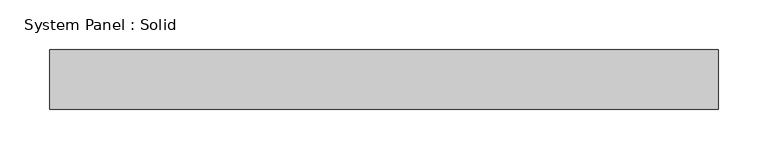
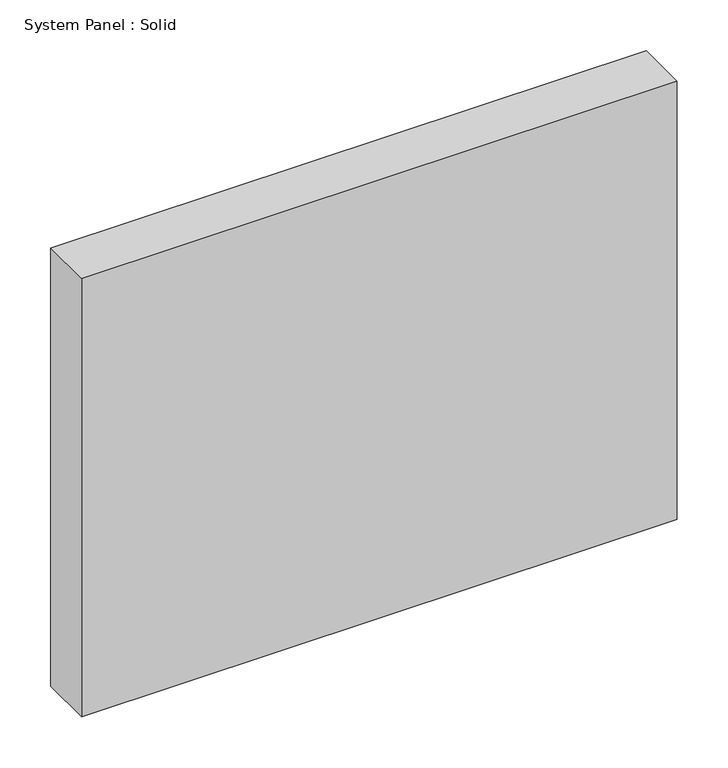
"""IFC4 building model written with IfcOpenShell, lengths in millimetres: plate geometry, System Panel : Solid."""

import ifcopenshell
import ifcopenshell.guid

model = None  # the IFC model being written
_history = None  # IfcOwnerHistory: only IFC2X3 demands one
_inside = {}  # id of a spatial element -> (the spatial element, [elements in it])
_under = {}  # id of a project, library or spatial element -> (it, [spatial elements below it])
_declared = {}  # id of a project -> (the project, [libraries it declares])
_typed = {}  # id of a type object -> (the type object, [elements of that type])
_made_of = {}  # id of a material, layer set ... -> (it, [elements and type objects made of it])


def new_model(schema):
    """Start an empty IFC model of exactly this schema.

    Asked for "IFC4X3", IfcOpenShell would pick the latest addendum, in which some entities
    have other attributes; the version numbers below select the first issue.
    IFC2X3 requires an IfcOwnerHistory on every rooted entity: one is made here for all.
    """
    global model, _history
    if schema == "IFC4X3":
        model = ifcopenshell.file(schema_version=(4, 3, 0, 0))
    else:
        model = ifcopenshell.file(schema=schema)
    _inside.clear()
    _under.clear()
    _declared.clear()
    _typed.clear()
    _made_of.clear()
    _history = None
    if model.schema == "IFC2X3":
        org = make("IfcOrganization", Name="unknown")
        user = make(
            "IfcPersonAndOrganization",
            ThePerson=make("IfcPerson", FamilyName="unknown"),
            TheOrganization=org,
        )
        app = make(
            "IfcApplication",
            ApplicationDeveloper=org,
            Version="unknown",
            ApplicationFullName="unknown",
            ApplicationIdentifier="unknown",
        )
        _history = make(
            "IfcOwnerHistory",
            OwningUser=user,
            OwningApplication=app,
            ChangeAction="ADDED",
            CreationDate=0,
        )
    return model


def make(cls, **values):
    """One entity of the class cls with the attributes given. An attribute that is None is left unset."""
    return model.create_entity(
        cls, **{name: value for name, value in values.items() if value is not None}
    )


def rooted(cls, **values):
    """An entity with a GlobalId (a new one), such as an element, a storey or a relation."""
    return make(cls, GlobalId=ifcopenshell.guid.new(), OwnerHistory=_history, **values)


def si_unit(unit_type, name, prefix=None):
    """IfcSIUnit, for example si_unit("LENGTHUNIT", "METRE", prefix="MILLI")."""
    return make("IfcSIUnit", UnitType=unit_type, Prefix=prefix, Name=name)


def assignment(units):
    """IfcUnitAssignment: the units of a project."""
    return None if units is None else make("IfcUnitAssignment", Units=units)


def point(xyz):
    """IfcCartesianPoint."""
    return None if xyz is None else make("IfcCartesianPoint", Coordinates=xyz)


def direction(xyz):
    """IfcDirection."""
    return None if xyz is None else make("IfcDirection", DirectionRatios=xyz)


def frame(location, z_axis=None, x_axis=None):
    """IfcAxis2Placement3D, a coordinate frame: its origin and axes. An axis left out is left unset."""
    return make(
        "IfcAxis2Placement3D",
        Location=point(location),
        Axis=direction(z_axis),
        RefDirection=direction(x_axis),
    )


def origin():
    """The frame at (0, 0, 0) with its axes left unset."""
    return frame((0.0, 0.0, 0.0))


def origin_with_axes():
    """The frame at (0, 0, 0) with the z axis (0, 0, 1) and the x axis (1, 0, 0) written out."""
    return frame((0.0, 0.0, 0.0), z_axis=(0.0, 0.0, 1.0), x_axis=(1.0, 0.0, 0.0))


def place(relative_to, where):
    """IfcLocalPlacement: puts the frame where relative to a parent placement (None: the world)."""
    return make(
        "IfcLocalPlacement", PlacementRelTo=relative_to, RelativePlacement=where
    )


def context(
    kind, dimensions, precision=None, world=None, true_north=None, identifier=None
):
    """IfcGeometricRepresentationContext, for example the 3D "Model" context."""
    return make(
        "IfcGeometricRepresentationContext",
        ContextIdentifier=identifier,
        ContextType=kind,
        CoordinateSpaceDimension=dimensions,
        Precision=precision,
        WorldCoordinateSystem=world,
        TrueNorth=true_north,
    )


def project(units=None, contexts=None):
    """IfcProject with its units and contexts."""
    return rooted(
        "IfcProject",
        Name="project",
        RepresentationContexts=contexts,
        UnitsInContext=assignment(units),
    )


def spatial(cls, under=None, at=None, **own):
    """A site, building, storey or space (cls), placed at a placement, below another one or the project."""
    s = rooted(cls, ObjectPlacement=at, **own)
    if under is not None:
        _under.setdefault(under.id(), (under, []))[1].append(s)
    return s


def polyline(points):
    """IfcPolyline through the points."""
    return make("IfcPolyline", Points=[point(p) for p in points])


def outline(outer, holes=None, kind="AREA"):
    """IfcArbitraryClosedProfileDef: a profile drawn as a closed curve; with holes, ...WithVoids."""
    if holes is None:
        return make("IfcArbitraryClosedProfileDef", ProfileType=kind, OuterCurve=outer)
    return make(
        "IfcArbitraryProfileDefWithVoids",
        ProfileType=kind,
        OuterCurve=outer,
        InnerCurves=holes,
    )


def extrude(swept, where, along, depth):
    """IfcExtrudedAreaSolid: the profile swept, set in the frame where, extruded along a direction by depth."""
    return make(
        "IfcExtrudedAreaSolid",
        SweptArea=swept,
        Position=where,
        ExtrudedDirection=direction(along),
        Depth=depth,
    )


def shape(context_of_items, identifier, shape_type, items):
    """IfcShapeRepresentation: the items that make up one representation, for example the "Body"."""
    return make(
        "IfcShapeRepresentation",
        ContextOfItems=context_of_items,
        RepresentationIdentifier=identifier,
        RepresentationType=shape_type,
        Items=items,
    )


def source(mapping_origin, context_of_items, identifier, shape_type, items):
    """IfcRepresentationMap: a shape defined once, which mapped items show again and again."""
    return make(
        "IfcRepresentationMap",
        MappingOrigin=mapping_origin,
        MappedRepresentation=shape(context_of_items, identifier, shape_type, items),
    )


def transform(
    local_origin,
    x_axis=None,
    y_axis=None,
    z_axis=None,
    scale=None,
    scale2=None,
    scale3=None,
    uniform=True,
):
    """IfcCartesianTransformationOperator3D, or its non-uniform kind. x_axis, y_axis, z_axis: its Axis1, 2, 3."""
    if uniform:
        return make(
            "IfcCartesianTransformationOperator3D",
            Axis1=direction(x_axis),
            Axis2=direction(y_axis),
            LocalOrigin=point(local_origin),
            Scale=scale,
            Axis3=direction(z_axis),
        )
    return make(
        "IfcCartesianTransformationOperator3DnonUniform",
        Axis1=direction(x_axis),
        Axis2=direction(y_axis),
        LocalOrigin=point(local_origin),
        Scale=scale,
        Axis3=direction(z_axis),
        Scale2=scale2,
        Scale3=scale3,
    )


def mapped(mapping_source, mapping_target):
    """IfcMappedItem: shows the shape of a source again, moved by a transform."""
    return make(
        "IfcMappedItem", MappingSource=mapping_source, MappingTarget=mapping_target
    )


def made_of(thing, what):
    """Note that an element or type object is made of a material, layer set ...; save() writes the relation."""
    if what is not None:
        _made_of.setdefault(what.id(), (what, []))[1].append(thing)
    return thing


def element(
    cls,
    number,
    at=None,
    inside=None,
    cuts=None,
    type_object=None,
    material=None,
    context=None,
    identifier="Body",
    shape_type=None,
    held_by="IfcProductDefinitionShape",
    body=None,
    shapes=None,
    **own,
):
    """One element of the class cls, such as IfcWall. Its Tag is "e" and its number.

    at: its placement. inside: the storey or other place that contains it. cuts: it is an
    opening in that element (IfcRelVoidsElement). A single representation is given by context,
    identifier, shape_type and body (its items); several are given by shapes. held_by: the class
    of the entity that holds the representations. save() writes the other relations.
    """
    e = rooted(cls, Tag="e%d" % number, ObjectPlacement=at, **own)
    if body is not None:
        shapes = [shape(context, identifier, shape_type, body)]
    if shapes is not None:
        e.Representation = make(held_by, Representations=shapes)
    if inside is not None:
        _inside.setdefault(inside.id(), (inside, []))[1].append(e)
    if cuts is not None:
        rooted(
            "IfcRelVoidsElement", RelatingBuildingElement=cuts, RelatedOpeningElement=e
        )
    if type_object is not None:
        _typed.setdefault(type_object.id(), (type_object, []))[1].append(e)
    return made_of(e, material)


def aggregate(whole, parts):
    """IfcRelAggregates: a whole, such as a stair, and the parts it consists of."""
    return rooted("IfcRelAggregates", RelatingObject=whole, RelatedObjects=parts)


def save(model, path):
    """Write the relations noted so far, then the file.

    IfcRelAggregates (storeys below a building ...), IfcRelContainedInSpatialStructure (elements
    in a storey), IfcRelDefinesByType, IfcRelAssociatesMaterial and IfcRelDeclares: one each for
    every whole, place, type object, material and project.
    """
    for whole, parts in _under.values():
        aggregate(whole, parts)
    for where, things in _inside.values():
        rooted(
            "IfcRelContainedInSpatialStructure",
            RelatedElements=things,
            RelatingStructure=where,
        )
    for kind, things in _typed.values():
        rooted("IfcRelDefinesByType", RelatedObjects=things, RelatingType=kind)
    for what, things in _made_of.values():
        rooted("IfcRelAssociatesMaterial", RelatedObjects=things, RelatingMaterial=what)
    for by, libraries in _declared.values():
        rooted("IfcRelDeclares", RelatingContext=by, RelatedDefinitions=libraries)
    model.write(path)


def system_panel_solid_8da37d3d(model_context):
    return source(origin(), model_context, "Body", "SweptSolid", [
        extrude(outline(polyline([(337.5, -10.5), (-337.5, -10.5), (-337.5, 49.5), (337.5, 49.5), (337.5, -10.5)])), origin_with_axes(), (0.0, 0.0, 1.0), 525.0),
    ])


if __name__ == "__main__":
    model = new_model("IFC4")
    model_context = context("Model", 3, world=origin())
    ifc_project = project(units=[si_unit("LENGTHUNIT", "METRE", prefix="MILLI")], contexts=[model_context])
    site = spatial("IfcSite", under=ifc_project)
    building = spatial("IfcBuilding", under=site)
    placement = place(None, origin())
    system_panel_solid_shape = system_panel_solid_8da37d3d(model_context)
    element("IfcPlate", 1, ObjectType="System Panel : Solid", at=placement, inside=building, context=model_context, shape_type="MappedRepresentation", body=[
        mapped(system_panel_solid_shape, transform((0.0, 0.0, 0.0), x_axis=(1.0, 0.0, 0.0), y_axis=(0.0, 1.0, 0.0), z_axis=(0.0, 0.0, 1.0))),
    ])
    save(model, "model.ifc")
